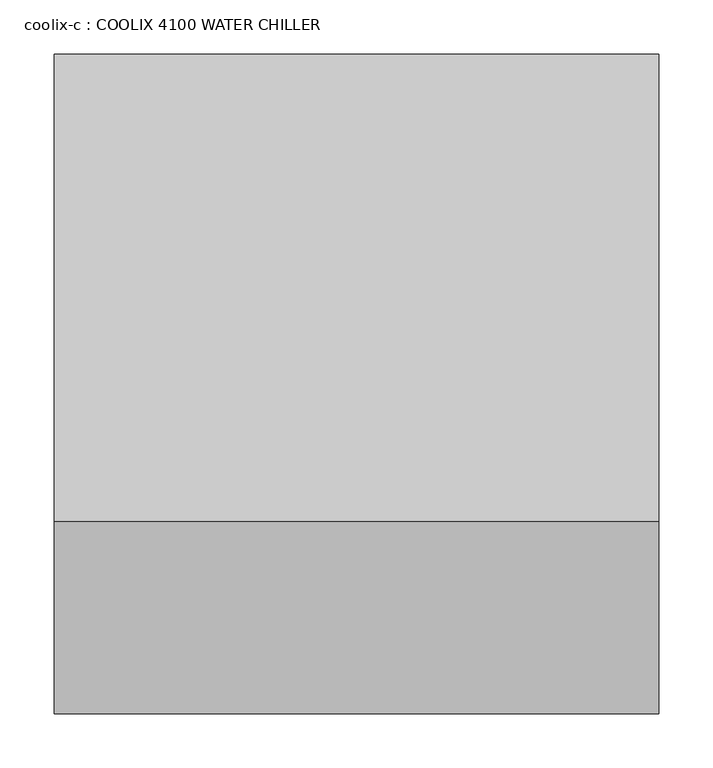
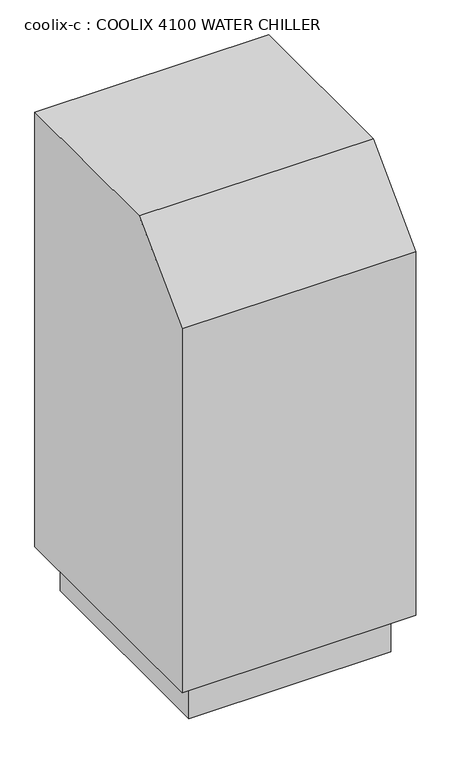
"""IFC4 building model written with IfcOpenShell, lengths in millimetres: proxy geometry, coolix-c : COOLIX 4100 WATER CHILLER."""

from ifc_helpers import new_model, si_unit, origin, place, context, project, spatial, faceted_brep, source, transform, mapped, element, save


def coolix_c_coolix_4100_water_chiller_1e576289(model_context):
    return source(origin(), model_context, "Body", "Brep", [
        faceted_brep([(558.8, -127.0, 1198.8601563), (0.0, -127.0, 1198.8601563), (0.0, -558.8, 1198.8601563), (558.8, -558.8, 1198.8601563), (520.7, -165.1, 0.0), (520.7, -698.5, 0.0), (38.1, -698.5, 0.0), (38.1, -165.1, 0.0), (558.8, -127.0, 101.6), (0.0, -127.0, 101.6), (0.0, -736.6, 101.6), (0.0, -736.6, 1021.0601563), (558.8, -736.6, 1021.0601563), (558.8, -736.6, 101.6), (520.7, -165.1, 101.6), (38.1, -165.1, 101.6), (38.1, -698.5, 101.6), (520.7, -698.5, 101.6)], [[[0, 1, 2, 3]], [[4, 5, 6, 7]], [[1, 0, 8, 9]], [[2, 1, 9, 10, 11]], [[12, 11, 10, 13]], [[0, 3, 12, 13, 8]], [[3, 2, 11, 12]], [[9, 8, 13, 10], [14, 15, 16, 17]], [[14, 17, 5, 4]], [[17, 16, 6, 5]], [[16, 15, 7, 6]], [[15, 14, 4, 7]]]),
    ])


if __name__ == "__main__":
    model = new_model("IFC4")
    model_context = context("Model", 3, world=origin())
    ifc_project = project(units=[si_unit("LENGTHUNIT", "METRE", prefix="MILLI")], contexts=[model_context])
    site = spatial("IfcSite", under=ifc_project)
    building = spatial("IfcBuilding", under=site)
    placement = place(None, origin())
    coolix_c_coolix_4100_water_chiller_shape = coolix_c_coolix_4100_water_chiller_1e576289(model_context)
    element("IfcBuildingElementProxy", 1, Name="coolix-c : COOLIX 4100 WATER CHILLER", ObjectType="coolix-c : COOLIX 4100 WATER CHILLER", at=placement, inside=building, context=model_context, shape_type="MappedRepresentation", body=[
        mapped(coolix_c_coolix_4100_water_chiller_shape, transform((0.0, 0.0, 0.0), x_axis=(1.0, 0.0, 0.0), y_axis=(0.0, 1.0, 0.0), z_axis=(0.0, 0.0, 1.0))),
    ])
    save(model, "model.ifc")
